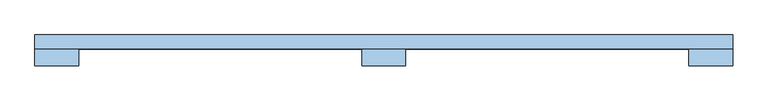
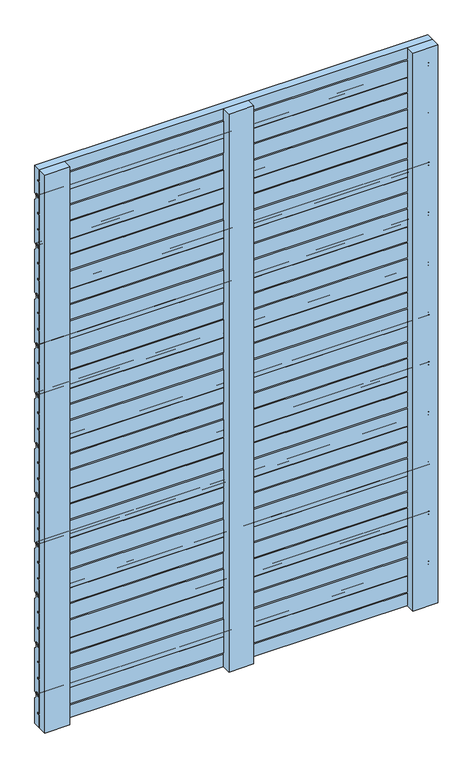
"""IFC4 building model written with IfcOpenShell, lengths in millimetres: window geometry."""

from ifc_helpers import new_model, si_unit, point, frame, frame_2d, origin, place, context, project, spatial, polyline, circle_curve, trimmed, segment, composite_curve, outline, extrude, source, transform, mapped, element, save


def window_0cdadf0d(model_context):
    return source(origin(), model_context, "Body", "SweptSolid", [
        extrude(outline(composite_curve([segment(trimmed(circle_curve(frame_2d((35.5, 182.0)), 1.0), [point((36.5, 182.0))], [point((35.5, 181.0))], False, "CARTESIAN"), True, "CONTINUOUS"), segment(polyline([(35.5, 181.0), (30.0, 181.0), (30.0, 228.0), (36.5, 228.0), (36.5, 231.5), (30.5, 231.5), (30.5, 271.5), (36.5, 271.5), (36.5, 275.0), (30.0, 275.0), (30.0, 314.0), (36.5, 314.0), (36.5, 319.5)]), True, "CONTINUOUS"), segment(trimmed(circle_curve(frame_2d((38.0, 319.5)), 1.5), [point((36.5, 319.5))], [point((38.0, 321.0))], False, "CARTESIAN"), True, "CONTINUOUS"), segment(polyline([(38.0, 321.0), (41.5, 321.0)]), True, "CONTINUOUS"), segment(trimmed(circle_curve(frame_2d((41.5, 319.5)), 1.5), [point((41.5, 321.0))], [point((43.0, 319.5))], False, "CARTESIAN"), True, "CONTINUOUS"), segment(polyline([(43.0, 319.5), (43.0, 309.4142136)]), True, "CONTINUOUS"), segment(trimmed(circle_curve(frame_2d((44.0, 309.4142136)), 1.0), [point((43.0, 309.4142136))], [point((43.2928932, 308.7071068))], True, "CARTESIAN"), True, "CONTINUOUS"), segment(polyline([(43.2928932, 308.7071068), (49.5606602, 302.4393398)]), True, "CONTINUOUS"), segment(trimmed(circle_curve(frame_2d((48.5, 301.3786797)), 1.5), [point((49.5606602, 302.4393398))], [point((50.0, 301.3786797))], False, "CARTESIAN"), True, "CONTINUOUS"), segment(polyline([(50.0, 301.3786797), (50.0, 187.2071068)]), True, "CONTINUOUS"), segment(trimmed(circle_curve(frame_2d((48.5, 187.2071068)), 1.5), [point((50.0, 187.2071068))], [point((49.5606602, 186.1464466))], False, "CARTESIAN"), True, "CONTINUOUS"), segment(polyline([(49.5606602, 186.1464466), (44.7071068, 181.2928932)]), True, "CONTINUOUS"), segment(trimmed(circle_curve(frame_2d((44.0, 182.0)), 1.0), [point((44.7071068, 181.2928932))], [point((43.0, 182.0))], False, "CARTESIAN"), True, "CONTINUOUS"), segment(polyline([(43.0, 182.0), (43.0, 188.5)]), True, "CONTINUOUS"), segment(trimmed(circle_curve(frame_2d((41.5, 188.5)), 1.5), [point((43.0, 188.5))], [point((41.5, 190.0))], True, "CARTESIAN"), True, "CONTINUOUS"), segment(polyline([(41.5, 190.0), (38.0, 190.0)]), True, "CONTINUOUS"), segment(trimmed(circle_curve(frame_2d((38.0, 188.5)), 1.5), [point((38.0, 190.0))], [point((36.5, 188.5))], True, "CARTESIAN"), True, "CONTINUOUS"), segment(polyline([(36.5, 188.5), (36.5, 182.0)]), True, "CONTINUOUS")], self_intersect=False)), frame((-500.0, 0.0, 0.0), z_axis=(1.0, 0.0, 0.0), x_axis=(0.0, 1.0, 0.0)), (0.0, 0.0, 1.0), 1000.0),
        extrude(outline(composite_curve([segment(trimmed(circle_curve(frame_2d((35.5, 316.0)), 1.0), [point((36.5, 316.0))], [point((35.5, 315.0))], False, "CARTESIAN"), True, "CONTINUOUS"), segment(polyline([(35.5, 315.0), (30.0, 315.0), (30.0, 362.0), (36.5, 362.0), (36.5, 365.5), (30.5, 365.5), (30.5, 405.5), (36.5, 405.5), (36.5, 409.0), (30.0, 409.0), (30.0, 448.0), (36.5, 448.0), (36.5, 453.5)]), True, "CONTINUOUS"), segment(trimmed(circle_curve(frame_2d((38.0, 453.5)), 1.5), [point((36.5, 453.5))], [point((38.0, 455.0))], False, "CARTESIAN"), True, "CONTINUOUS"), segment(polyline([(38.0, 455.0), (41.5, 455.0)]), True, "CONTINUOUS"), segment(trimmed(circle_curve(frame_2d((41.5, 453.5)), 1.5), [point((41.5, 455.0))], [point((43.0, 453.5))], False, "CARTESIAN"), True, "CONTINUOUS"), segment(polyline([(43.0, 453.5), (43.0, 443.4142136)]), True, "CONTINUOUS"), segment(trimmed(circle_curve(frame_2d((44.0, 443.4142136)), 1.0), [point((43.0, 443.4142136))], [point((43.2928932, 442.7071068))], True, "CARTESIAN"), True, "CONTINUOUS"), segment(polyline([(43.2928932, 442.7071068), (49.5606602, 436.4393398)]), True, "CONTINUOUS"), segment(trimmed(circle_curve(frame_2d((48.5, 435.3786797)), 1.5), [point((49.5606602, 436.4393398))], [point((50.0, 435.3786797))], False, "CARTESIAN"), True, "CONTINUOUS"), segment(polyline([(50.0, 435.3786797), (50.0, 321.2071068)]), True, "CONTINUOUS"), segment(trimmed(circle_curve(frame_2d((48.5, 321.2071068)), 1.5), [point((50.0, 321.2071068))], [point((49.5606602, 320.1464466))], False, "CARTESIAN"), True, "CONTINUOUS"), segment(polyline([(49.5606602, 320.1464466), (44.7071068, 315.2928932)]), True, "CONTINUOUS"), segment(trimmed(circle_curve(frame_2d((44.0, 316.0)), 1.0), [point((44.7071068, 315.2928932))], [point((43.0, 316.0))], False, "CARTESIAN"), True, "CONTINUOUS"), segment(polyline([(43.0, 316.0), (43.0, 322.5)]), True, "CONTINUOUS"), segment(trimmed(circle_curve(frame_2d((41.5, 322.5)), 1.5), [point((43.0, 322.5))], [point((41.5, 324.0))], True, "CARTESIAN"), True, "CONTINUOUS"), segment(polyline([(41.5, 324.0), (38.0, 324.0)]), True, "CONTINUOUS"), segment(trimmed(circle_curve(frame_2d((38.0, 322.5)), 1.5), [point((38.0, 324.0))], [point((36.5, 322.5))], True, "CARTESIAN"), True, "CONTINUOUS"), segment(polyline([(36.5, 322.5), (36.5, 316.0)]), True, "CONTINUOUS")], self_intersect=False)), frame((-500.0, 0.0, 0.0), z_axis=(1.0, 0.0, 0.0), x_axis=(0.0, 1.0, 0.0)), (0.0, 0.0, 1.0), 1000.0),
        extrude(outline(composite_curve([segment(trimmed(circle_curve(frame_2d((35.5, 450.0)), 1.0), [point((36.5, 450.0))], [point((35.5, 449.0))], False, "CARTESIAN"), True, "CONTINUOUS"), segment(polyline([(35.5, 449.0), (30.0, 449.0), (30.0, 496.0), (36.5, 496.0), (36.5, 499.5), (30.5, 499.5), (30.5, 539.5), (36.5, 539.5), (36.5, 543.0), (30.0, 543.0), (30.0, 582.0), (36.5, 582.0), (36.5, 587.5)]), True, "CONTINUOUS"), segment(trimmed(circle_curve(frame_2d((38.0, 587.5)), 1.5), [point((36.5, 587.5))], [point((38.0, 589.0))], False, "CARTESIAN"), True, "CONTINUOUS"), segment(polyline([(38.0, 589.0), (41.5, 589.0)]), True, "CONTINUOUS"), segment(trimmed(circle_curve(frame_2d((41.5, 587.5)), 1.5), [point((41.5, 589.0))], [point((43.0, 587.5))], False, "CARTESIAN"), True, "CONTINUOUS"), segment(polyline([(43.0, 587.5), (43.0, 577.4142136)]), True, "CONTINUOUS"), segment(trimmed(circle_curve(frame_2d((44.0, 577.4142136)), 1.0), [point((43.0, 577.4142136))], [point((43.2928932, 576.7071068))], True, "CARTESIAN"), True, "CONTINUOUS"), segment(polyline([(43.2928932, 576.7071068), (49.5606602, 570.4393398)]), True, "CONTINUOUS"), segment(trimmed(circle_curve(frame_2d((48.5, 569.3786797)), 1.5), [point((49.5606602, 570.4393398))], [point((50.0, 569.3786797))], False, "CARTESIAN"), True, "CONTINUOUS"), segment(polyline([(50.0, 569.3786797), (50.0, 455.2071068)]), True, "CONTINUOUS"), segment(trimmed(circle_curve(frame_2d((48.5, 455.2071068)), 1.5), [point((50.0, 455.2071068))], [point((49.5606602, 454.1464466))], False, "CARTESIAN"), True, "CONTINUOUS"), segment(polyline([(49.5606602, 454.1464466), (44.7071068, 449.2928932)]), True, "CONTINUOUS"), segment(trimmed(circle_curve(frame_2d((44.0, 450.0)), 1.0), [point((44.7071068, 449.2928932))], [point((43.0, 450.0))], False, "CARTESIAN"), True, "CONTINUOUS"), segment(polyline([(43.0, 450.0), (43.0, 456.5)]), True, "CONTINUOUS"), segment(trimmed(circle_curve(frame_2d((41.5, 456.5)), 1.5), [point((43.0, 456.5))], [point((41.5, 458.0))], True, "CARTESIAN"), True, "CONTINUOUS"), segment(polyline([(41.5, 458.0), (38.0, 458.0)]), True, "CONTINUOUS"), segment(trimmed(circle_curve(frame_2d((38.0, 456.5)), 1.5), [point((38.0, 458.0))], [point((36.5, 456.5))], True, "CARTESIAN"), True, "CONTINUOUS"), segment(polyline([(36.5, 456.5), (36.5, 450.0)]), True, "CONTINUOUS")], self_intersect=False)), frame((-500.0, 0.0, 0.0), z_axis=(1.0, 0.0, 0.0), x_axis=(0.0, 1.0, 0.0)), (0.0, 0.0, 1.0), 1000.0),
        extrude(outline(composite_curve([segment(trimmed(circle_curve(frame_2d((35.5, 584.0)), 1.0), [point((36.5, 584.0))], [point((35.5, 583.0))], False, "CARTESIAN"), True, "CONTINUOUS"), segment(polyline([(35.5, 583.0), (30.0, 583.0), (30.0, 630.0), (36.5, 630.0), (36.5, 633.5), (30.5, 633.5), (30.5, 673.5), (36.5, 673.5), (36.5, 677.0), (30.0, 677.0), (30.0, 716.0), (36.5, 716.0), (36.5, 721.5)]), True, "CONTINUOUS"), segment(trimmed(circle_curve(frame_2d((38.0, 721.5)), 1.5), [point((36.5, 721.5))], [point((38.0, 723.0))], False, "CARTESIAN"), True, "CONTINUOUS"), segment(polyline([(38.0, 723.0), (41.5, 723.0)]), True, "CONTINUOUS"), segment(trimmed(circle_curve(frame_2d((41.5, 721.5)), 1.5), [point((41.5, 723.0))], [point((43.0, 721.5))], False, "CARTESIAN"), True, "CONTINUOUS"), segment(polyline([(43.0, 721.5), (43.0, 711.4142136)]), True, "CONTINUOUS"), segment(trimmed(circle_curve(frame_2d((44.0, 711.4142136)), 1.0), [point((43.0, 711.4142136))], [point((43.2928932, 710.7071068))], True, "CARTESIAN"), True, "CONTINUOUS"), segment(polyline([(43.2928932, 710.7071068), (49.5606602, 704.4393398)]), True, "CONTINUOUS"), segment(trimmed(circle_curve(frame_2d((48.5, 703.3786797)), 1.5), [point((49.5606602, 704.4393398))], [point((50.0, 703.3786797))], False, "CARTESIAN"), True, "CONTINUOUS"), segment(polyline([(50.0, 703.3786797), (50.0, 589.2071068)]), True, "CONTINUOUS"), segment(trimmed(circle_curve(frame_2d((48.5, 589.2071068)), 1.5), [point((50.0, 589.2071068))], [point((49.5606602, 588.1464466))], False, "CARTESIAN"), True, "CONTINUOUS"), segment(polyline([(49.5606602, 588.1464466), (44.7071068, 583.2928932)]), True, "CONTINUOUS"), segment(trimmed(circle_curve(frame_2d((44.0, 584.0)), 1.0), [point((44.7071068, 583.2928932))], [point((43.0, 584.0))], False, "CARTESIAN"), True, "CONTINUOUS"), segment(polyline([(43.0, 584.0), (43.0, 590.5)]), True, "CONTINUOUS"), segment(trimmed(circle_curve(frame_2d((41.5, 590.5)), 1.5), [point((43.0, 590.5))], [point((41.5, 592.0))], True, "CARTESIAN"), True, "CONTINUOUS"), segment(polyline([(41.5, 592.0), (38.0, 592.0)]), True, "CONTINUOUS"), segment(trimmed(circle_curve(frame_2d((38.0, 590.5)), 1.5), [point((38.0, 592.0))], [point((36.5, 590.5))], True, "CARTESIAN"), True, "CONTINUOUS"), segment(polyline([(36.5, 590.5), (36.5, 584.0)]), True, "CONTINUOUS")], self_intersect=False)), frame((-500.0, 0.0, 0.0), z_axis=(1.0, 0.0, 0.0), x_axis=(0.0, 1.0, 0.0)), (0.0, 0.0, 1.0), 1000.0),
        extrude(outline(composite_curve([segment(trimmed(circle_curve(frame_2d((35.5, 718.0)), 1.0), [point((36.5, 718.0))], [point((35.5, 717.0))], False, "CARTESIAN"), True, "CONTINUOUS"), segment(polyline([(35.5, 717.0), (30.0, 717.0), (30.0, 764.0), (36.5, 764.0), (36.5, 767.5), (30.5, 767.5), (30.5, 807.5), (36.5, 807.5), (36.5, 811.0), (30.0, 811.0), (30.0, 850.0), (36.5, 850.0), (36.5, 855.5)]), True, "CONTINUOUS"), segment(trimmed(circle_curve(frame_2d((38.0, 855.5)), 1.5), [point((36.5, 855.5))], [point((38.0, 857.0))], False, "CARTESIAN"), True, "CONTINUOUS"), segment(polyline([(38.0, 857.0), (41.5, 857.0)]), True, "CONTINUOUS"), segment(trimmed(circle_curve(frame_2d((41.5, 855.5)), 1.5), [point((41.5, 857.0))], [point((43.0, 855.5))], False, "CARTESIAN"), True, "CONTINUOUS"), segment(polyline([(43.0, 855.5), (43.0, 845.4142136)]), True, "CONTINUOUS"), segment(trimmed(circle_curve(frame_2d((44.0, 845.4142136)), 1.0), [point((43.0, 845.4142136))], [point((43.2928932, 844.7071068))], True, "CARTESIAN"), True, "CONTINUOUS"), segment(polyline([(43.2928932, 844.7071068), (49.5606602, 838.4393398)]), True, "CONTINUOUS"), segment(trimmed(circle_curve(frame_2d((48.5, 837.3786797)), 1.5), [point((49.5606602, 838.4393398))], [point((50.0, 837.3786797))], False, "CARTESIAN"), True, "CONTINUOUS"), segment(polyline([(50.0, 837.3786797), (50.0, 723.2071068)]), True, "CONTINUOUS"), segment(trimmed(circle_curve(frame_2d((48.5, 723.2071068)), 1.5), [point((50.0, 723.2071068))], [point((49.5606602, 722.1464466))], False, "CARTESIAN"), True, "CONTINUOUS"), segment(polyline([(49.5606602, 722.1464466), (44.7071068, 717.2928932)]), True, "CONTINUOUS"), segment(trimmed(circle_curve(frame_2d((44.0, 718.0)), 1.0), [point((44.7071068, 717.2928932))], [point((43.0, 718.0))], False, "CARTESIAN"), True, "CONTINUOUS"), segment(polyline([(43.0, 718.0), (43.0, 724.5)]), True, "CONTINUOUS"), segment(trimmed(circle_curve(frame_2d((41.5, 724.5)), 1.5), [point((43.0, 724.5))], [point((41.5, 726.0))], True, "CARTESIAN"), True, "CONTINUOUS"), segment(polyline([(41.5, 726.0), (38.0, 726.0)]), True, "CONTINUOUS"), segment(trimmed(circle_curve(frame_2d((38.0, 724.5)), 1.5), [point((38.0, 726.0))], [point((36.5, 724.5))], True, "CARTESIAN"), True, "CONTINUOUS"), segment(polyline([(36.5, 724.5), (36.5, 718.0)]), True, "CONTINUOUS")], self_intersect=False)), frame((-500.0, 0.0, 0.0), z_axis=(1.0, 0.0, 0.0), x_axis=(0.0, 1.0, 0.0)), (0.0, 0.0, 1.0), 1000.0),
        extrude(outline(composite_curve([segment(trimmed(circle_curve(frame_2d((35.5, 852.0)), 1.0), [point((36.5, 852.0))], [point((35.5, 851.0))], False, "CARTESIAN"), True, "CONTINUOUS"), segment(polyline([(35.5, 851.0), (30.0, 851.0), (30.0, 898.0), (36.5, 898.0), (36.5, 901.5), (30.5, 901.5), (30.5, 941.5), (36.5, 941.5), (36.5, 945.0), (30.0, 945.0), (30.0, 984.0), (36.5, 984.0), (36.5, 989.5)]), True, "CONTINUOUS"), segment(trimmed(circle_curve(frame_2d((38.0, 989.5)), 1.5), [point((36.5, 989.5))], [point((38.0, 991.0))], False, "CARTESIAN"), True, "CONTINUOUS"), segment(polyline([(38.0, 991.0), (41.5, 991.0)]), True, "CONTINUOUS"), segment(trimmed(circle_curve(frame_2d((41.5, 989.5)), 1.5), [point((41.5, 991.0))], [point((43.0, 989.5))], False, "CARTESIAN"), True, "CONTINUOUS"), segment(polyline([(43.0, 989.5), (43.0, 979.4142136)]), True, "CONTINUOUS"), segment(trimmed(circle_curve(frame_2d((44.0, 979.4142136)), 1.0), [point((43.0, 979.4142136))], [point((43.2928932, 978.7071068))], True, "CARTESIAN"), True, "CONTINUOUS"), segment(polyline([(43.2928932, 978.7071068), (49.5606602, 972.4393398)]), True, "CONTINUOUS"), segment(trimmed(circle_curve(frame_2d((48.5, 971.3786797)), 1.5), [point((49.5606602, 972.4393398))], [point((50.0, 971.3786797))], False, "CARTESIAN"), True, "CONTINUOUS"), segment(polyline([(50.0, 971.3786797), (50.0, 857.2071068)]), True, "CONTINUOUS"), segment(trimmed(circle_curve(frame_2d((48.5, 857.2071068)), 1.5), [point((50.0, 857.2071068))], [point((49.5606602, 856.1464466))], False, "CARTESIAN"), True, "CONTINUOUS"), segment(polyline([(49.5606602, 856.1464466), (44.7071068, 851.2928932)]), True, "CONTINUOUS"), segment(trimmed(circle_curve(frame_2d((44.0, 852.0)), 1.0), [point((44.7071068, 851.2928932))], [point((43.0, 852.0))], False, "CARTESIAN"), True, "CONTINUOUS"), segment(polyline([(43.0, 852.0), (43.0, 858.5)]), True, "CONTINUOUS"), segment(trimmed(circle_curve(frame_2d((41.5, 858.5)), 1.5), [point((43.0, 858.5))], [point((41.5, 860.0))], True, "CARTESIAN"), True, "CONTINUOUS"), segment(polyline([(41.5, 860.0), (38.0, 860.0)]), True, "CONTINUOUS"), segment(trimmed(circle_curve(frame_2d((38.0, 858.5)), 1.5), [point((38.0, 860.0))], [point((36.5, 858.5))], True, "CARTESIAN"), True, "CONTINUOUS"), segment(polyline([(36.5, 858.5), (36.5, 852.0)]), True, "CONTINUOUS")], self_intersect=False)), frame((-500.0, 0.0, 0.0), z_axis=(1.0, 0.0, 0.0), x_axis=(0.0, 1.0, 0.0)), (0.0, 0.0, 1.0), 1000.0),
        extrude(outline(composite_curve([segment(trimmed(circle_curve(frame_2d((35.5, 986.0)), 1.0), [point((36.5, 986.0))], [point((35.5, 985.0))], False, "CARTESIAN"), True, "CONTINUOUS"), segment(polyline([(35.5, 985.0), (30.0, 985.0), (30.0, 1032.0), (36.5, 1032.0), (36.5, 1035.5), (30.5, 1035.5), (30.5, 1075.5), (36.5, 1075.5), (36.5, 1079.0), (30.0, 1079.0), (30.0, 1118.0), (36.5, 1118.0), (36.5, 1123.5)]), True, "CONTINUOUS"), segment(trimmed(circle_curve(frame_2d((38.0, 1123.5)), 1.5), [point((36.5, 1123.5))], [point((38.0, 1125.0))], False, "CARTESIAN"), True, "CONTINUOUS"), segment(polyline([(38.0, 1125.0), (41.5, 1125.0)]), True, "CONTINUOUS"), segment(trimmed(circle_curve(frame_2d((41.5, 1123.5)), 1.5), [point((41.5, 1125.0))], [point((43.0, 1123.5))], False, "CARTESIAN"), True, "CONTINUOUS"), segment(polyline([(43.0, 1123.5), (43.0, 1113.4142136)]), True, "CONTINUOUS"), segment(trimmed(circle_curve(frame_2d((44.0, 1113.4142136)), 1.0), [point((43.0, 1113.4142136))], [point((43.2928932, 1112.7071068))], True, "CARTESIAN"), True, "CONTINUOUS"), segment(polyline([(43.2928932, 1112.7071068), (49.5606602, 1106.4393398)]), True, "CONTINUOUS"), segment(trimmed(circle_curve(frame_2d((48.5, 1105.3786797)), 1.5), [point((49.5606602, 1106.4393398))], [point((50.0, 1105.3786797))], False, "CARTESIAN"), True, "CONTINUOUS"), segment(polyline([(50.0, 1105.3786797), (50.0, 991.2071068)]), True, "CONTINUOUS"), segment(trimmed(circle_curve(frame_2d((48.5, 991.2071068)), 1.5), [point((50.0, 991.2071068))], [point((49.5606602, 990.1464466))], False, "CARTESIAN"), True, "CONTINUOUS"), segment(polyline([(49.5606602, 990.1464466), (44.7071068, 985.2928932)]), True, "CONTINUOUS"), segment(trimmed(circle_curve(frame_2d((44.0, 986.0)), 1.0), [point((44.7071068, 985.2928932))], [point((43.0, 986.0))], False, "CARTESIAN"), True, "CONTINUOUS"), segment(polyline([(43.0, 986.0), (43.0, 992.5)]), True, "CONTINUOUS"), segment(trimmed(circle_curve(frame_2d((41.5, 992.5)), 1.5), [point((43.0, 992.5))], [point((41.5, 994.0))], True, "CARTESIAN"), True, "CONTINUOUS"), segment(polyline([(41.5, 994.0), (38.0, 994.0)]), True, "CONTINUOUS"), segment(trimmed(circle_curve(frame_2d((38.0, 992.5)), 1.5), [point((38.0, 994.0))], [point((36.5, 992.5))], True, "CARTESIAN"), True, "CONTINUOUS"), segment(polyline([(36.5, 992.5), (36.5, 986.0)]), True, "CONTINUOUS")], self_intersect=False)), frame((-500.0, 0.0, 0.0), z_axis=(1.0, 0.0, 0.0), x_axis=(0.0, 1.0, 0.0)), (0.0, 0.0, 1.0), 1000.0),
        extrude(outline(composite_curve([segment(trimmed(circle_curve(frame_2d((35.5, 1120.0)), 1.0), [point((36.5, 1120.0))], [point((35.5, 1119.0))], False, "CARTESIAN"), True, "CONTINUOUS"), segment(polyline([(35.5, 1119.0), (30.0, 1119.0), (30.0, 1166.0), (36.5, 1166.0), (36.5, 1169.5), (30.5, 1169.5), (30.5, 1209.5), (36.5, 1209.5), (36.5, 1213.0), (30.0, 1213.0), (30.0, 1252.0), (36.5, 1252.0), (36.5, 1257.5)]), True, "CONTINUOUS"), segment(trimmed(circle_curve(frame_2d((38.0, 1257.5)), 1.5), [point((36.5, 1257.5))], [point((38.0, 1259.0))], False, "CARTESIAN"), True, "CONTINUOUS"), segment(polyline([(38.0, 1259.0), (41.5, 1259.0)]), True, "CONTINUOUS"), segment(trimmed(circle_curve(frame_2d((41.5, 1257.5)), 1.5), [point((41.5, 1259.0))], [point((43.0, 1257.5))], False, "CARTESIAN"), True, "CONTINUOUS"), segment(polyline([(43.0, 1257.5), (43.0, 1247.4142136)]), True, "CONTINUOUS"), segment(trimmed(circle_curve(frame_2d((44.0, 1247.4142136)), 1.0), [point((43.0, 1247.4142136))], [point((43.2928932, 1246.7071068))], True, "CARTESIAN"), True, "CONTINUOUS"), segment(polyline([(43.2928932, 1246.7071068), (49.5606602, 1240.4393398)]), True, "CONTINUOUS"), segment(trimmed(circle_curve(frame_2d((48.5, 1239.3786797)), 1.5), [point((49.5606602, 1240.4393398))], [point((50.0, 1239.3786797))], False, "CARTESIAN"), True, "CONTINUOUS"), segment(polyline([(50.0, 1239.3786797), (50.0, 1125.2071068)]), True, "CONTINUOUS"), segment(trimmed(circle_curve(frame_2d((48.5, 1125.2071068)), 1.5), [point((50.0, 1125.2071068))], [point((49.5606602, 1124.1464466))], False, "CARTESIAN"), True, "CONTINUOUS"), segment(polyline([(49.5606602, 1124.1464466), (44.7071068, 1119.2928932)]), True, "CONTINUOUS"), segment(trimmed(circle_curve(frame_2d((44.0, 1120.0)), 1.0), [point((44.7071068, 1119.2928932))], [point((43.0, 1120.0))], False, "CARTESIAN"), True, "CONTINUOUS"), segment(polyline([(43.0, 1120.0), (43.0, 1126.5)]), True, "CONTINUOUS"), segment(trimmed(circle_curve(frame_2d((41.5, 1126.5)), 1.5), [point((43.0, 1126.5))], [point((41.5, 1128.0))], True, "CARTESIAN"), True, "CONTINUOUS"), segment(polyline([(41.5, 1128.0), (38.0, 1128.0)]), True, "CONTINUOUS"), segment(trimmed(circle_curve(frame_2d((38.0, 1126.5)), 1.5), [point((38.0, 1128.0))], [point((36.5, 1126.5))], True, "CARTESIAN"), True, "CONTINUOUS"), segment(polyline([(36.5, 1126.5), (36.5, 1120.0)]), True, "CONTINUOUS")], self_intersect=False)), frame((-500.0, 0.0, 0.0), z_axis=(1.0, 0.0, 0.0), x_axis=(0.0, 1.0, 0.0)), (0.0, 0.0, 1.0), 1000.0),
        extrude(outline(composite_curve([segment(trimmed(circle_curve(frame_2d((35.5, 1254.0)), 1.0), [point((36.5, 1254.0))], [point((35.5, 1253.0))], False, "CARTESIAN"), True, "CONTINUOUS"), segment(polyline([(35.5, 1253.0), (30.0, 1253.0), (30.0, 1300.0), (36.5, 1300.0), (36.5, 1303.5), (30.5, 1303.5), (30.5, 1343.5), (36.5, 1343.5), (36.5, 1347.0), (30.0, 1347.0), (30.0, 1386.0), (36.5, 1386.0), (36.5, 1391.5)]), True, "CONTINUOUS"), segment(trimmed(circle_curve(frame_2d((38.0, 1391.5)), 1.5), [point((36.5, 1391.5))], [point((38.0, 1393.0))], False, "CARTESIAN"), True, "CONTINUOUS"), segment(polyline([(38.0, 1393.0), (41.5, 1393.0)]), True, "CONTINUOUS"), segment(trimmed(circle_curve(frame_2d((41.5, 1391.5)), 1.5), [point((41.5, 1393.0))], [point((43.0, 1391.5))], False, "CARTESIAN"), True, "CONTINUOUS"), segment(polyline([(43.0, 1391.5), (43.0, 1381.4142136)]), True, "CONTINUOUS"), segment(trimmed(circle_curve(frame_2d((44.0, 1381.4142136)), 1.0), [point((43.0, 1381.4142136))], [point((43.2928932, 1380.7071068))], True, "CARTESIAN"), True, "CONTINUOUS"), segment(polyline([(43.2928932, 1380.7071068), (49.5606602, 1374.4393398)]), True, "CONTINUOUS"), segment(trimmed(circle_curve(frame_2d((48.5, 1373.3786797)), 1.5), [point((49.5606602, 1374.4393398))], [point((50.0, 1373.3786797))], False, "CARTESIAN"), True, "CONTINUOUS"), segment(polyline([(50.0, 1373.3786797), (50.0, 1259.2071068)]), True, "CONTINUOUS"), segment(trimmed(circle_curve(frame_2d((48.5, 1259.2071068)), 1.5), [point((50.0, 1259.2071068))], [point((49.5606602, 1258.1464466))], False, "CARTESIAN"), True, "CONTINUOUS"), segment(polyline([(49.5606602, 1258.1464466), (44.7071068, 1253.2928932)]), True, "CONTINUOUS"), segment(trimmed(circle_curve(frame_2d((44.0, 1254.0)), 1.0), [point((44.7071068, 1253.2928932))], [point((43.0, 1254.0))], False, "CARTESIAN"), True, "CONTINUOUS"), segment(polyline([(43.0, 1254.0), (43.0, 1260.5)]), True, "CONTINUOUS"), segment(trimmed(circle_curve(frame_2d((41.5, 1260.5)), 1.5), [point((43.0, 1260.5))], [point((41.5, 1262.0))], True, "CARTESIAN"), True, "CONTINUOUS"), segment(polyline([(41.5, 1262.0), (38.0, 1262.0)]), True, "CONTINUOUS"), segment(trimmed(circle_curve(frame_2d((38.0, 1260.5)), 1.5), [point((38.0, 1262.0))], [point((36.5, 1260.5))], True, "CARTESIAN"), True, "CONTINUOUS"), segment(polyline([(36.5, 1260.5), (36.5, 1254.0)]), True, "CONTINUOUS")], self_intersect=False)), frame((-500.0, 0.0, 0.0), z_axis=(1.0, 0.0, 0.0), x_axis=(0.0, 1.0, 0.0)), (0.0, 0.0, 1.0), 1000.0),
        extrude(outline(composite_curve([segment(trimmed(circle_curve(frame_2d((35.5, 1388.0)), 1.0), [point((36.5, 1388.0))], [point((35.5, 1387.0))], False, "CARTESIAN"), True, "CONTINUOUS"), segment(polyline([(35.5, 1387.0), (30.0, 1387.0), (30.0, 1434.0), (36.5, 1434.0), (36.5, 1437.5), (30.5, 1437.5), (30.5, 1477.5), (36.5, 1477.5), (36.5, 1481.0), (30.0, 1481.0), (30.0, 1520.0), (36.5, 1520.0), (36.5, 1525.5)]), True, "CONTINUOUS"), segment(trimmed(circle_curve(frame_2d((38.0, 1525.5)), 1.5), [point((36.5, 1525.5))], [point((38.0, 1527.0))], False, "CARTESIAN"), True, "CONTINUOUS"), segment(polyline([(38.0, 1527.0), (41.5, 1527.0)]), True, "CONTINUOUS"), segment(trimmed(circle_curve(frame_2d((41.5, 1525.5)), 1.5), [point((41.5, 1527.0))], [point((43.0, 1525.5))], False, "CARTESIAN"), True, "CONTINUOUS"), segment(polyline([(43.0, 1525.5), (43.0, 1515.4142136)]), True, "CONTINUOUS"), segment(trimmed(circle_curve(frame_2d((44.0, 1515.4142136)), 1.0), [point((43.0, 1515.4142136))], [point((43.2928932, 1514.7071068))], True, "CARTESIAN"), True, "CONTINUOUS"), segment(polyline([(43.2928932, 1514.7071068), (49.5606602, 1508.4393398)]), True, "CONTINUOUS"), segment(trimmed(circle_curve(frame_2d((48.5, 1507.3786797)), 1.5), [point((49.5606602, 1508.4393398))], [point((50.0, 1507.3786797))], False, "CARTESIAN"), True, "CONTINUOUS"), segment(polyline([(50.0, 1507.3786797), (50.0, 1393.2071068)]), True, "CONTINUOUS"), segment(trimmed(circle_curve(frame_2d((48.5, 1393.2071068)), 1.5), [point((50.0, 1393.2071068))], [point((49.5606602, 1392.1464466))], False, "CARTESIAN"), True, "CONTINUOUS"), segment(polyline([(49.5606602, 1392.1464466), (44.7071068, 1387.2928932)]), True, "CONTINUOUS"), segment(trimmed(circle_curve(frame_2d((44.0, 1388.0)), 1.0), [point((44.7071068, 1387.2928932))], [point((43.0, 1388.0))], False, "CARTESIAN"), True, "CONTINUOUS"), segment(polyline([(43.0, 1388.0), (43.0, 1394.5)]), True, "CONTINUOUS"), segment(trimmed(circle_curve(frame_2d((41.5, 1394.5)), 1.5), [point((43.0, 1394.5))], [point((41.5, 1396.0))], True, "CARTESIAN"), True, "CONTINUOUS"), segment(polyline([(41.5, 1396.0), (38.0, 1396.0)]), True, "CONTINUOUS"), segment(trimmed(circle_curve(frame_2d((38.0, 1394.5)), 1.5), [point((38.0, 1396.0))], [point((36.5, 1394.5))], True, "CARTESIAN"), True, "CONTINUOUS"), segment(polyline([(36.5, 1394.5), (36.5, 1388.0)]), True, "CONTINUOUS")], self_intersect=False)), frame((-500.0, 0.0, 0.0), z_axis=(1.0, 0.0, 0.0), x_axis=(0.0, 1.0, 0.0)), (0.0, 0.0, 1.0), 1000.0),
        extrude(outline(composite_curve([segment(trimmed(circle_curve(frame_2d((48.5, 167.3786797)), 1.5), [point((49.5606602, 168.4393398))], [point((50.0, 167.3786797))], False, "CARTESIAN"), True, "CONTINUOUS"), segment(polyline([(50.0, 167.3786797), (50.0, 100.0), (30.5, 100.0), (30.5, 133.4389298), (36.5, 133.4389298), (36.5, 136.9389298), (30.0, 136.9389298), (30.0, 180.0), (36.5, 180.0), (36.5, 186.5)]), True, "CONTINUOUS"), segment(trimmed(circle_curve(frame_2d((38.0, 186.5)), 1.5), [point((36.5, 186.5))], [point((38.0, 188.0))], False, "CARTESIAN"), True, "CONTINUOUS"), segment(polyline([(38.0, 188.0), (41.5, 188.0)]), True, "CONTINUOUS"), segment(trimmed(circle_curve(frame_2d((41.5, 186.5)), 1.5), [point((41.5, 188.0))], [point((43.0, 186.5))], False, "CARTESIAN"), True, "CONTINUOUS"), segment(polyline([(43.0, 186.5), (43.0, 175.4142136)]), True, "CONTINUOUS"), segment(trimmed(circle_curve(frame_2d((44.0, 175.4142136)), 1.0), [point((43.0, 175.4142136))], [point((43.2928932, 174.7071068))], True, "CARTESIAN"), True, "CONTINUOUS"), segment(polyline([(43.2928932, 174.7071068), (49.5606602, 168.4393398)]), True, "CONTINUOUS")], self_intersect=False)), frame((-500.0, 0.0, 0.0), z_axis=(1.0, 0.0, 0.0), x_axis=(0.0, 1.0, 0.0)), (0.0, 0.0, 1.0), 1000.0),
        extrude(outline(composite_curve([segment(trimmed(circle_curve(frame_2d((35.5, 1522.0)), 1.0), [point((36.5, 1522.0))], [point((35.5, 1521.0))], False, "CARTESIAN"), True, "CONTINUOUS"), segment(polyline([(35.5, 1521.0), (30.0, 1521.0), (30.0, 1566.0), (36.5, 1566.0), (36.5, 1569.5), (30.5, 1569.5), (30.5, 1600.0), (50.0, 1600.0), (50.0, 1527.2071068)]), True, "CONTINUOUS"), segment(trimmed(circle_curve(frame_2d((48.5, 1527.2071068)), 1.5), [point((50.0, 1527.2071068))], [point((49.5606602, 1526.1464466))], False, "CARTESIAN"), True, "CONTINUOUS"), segment(polyline([(49.5606602, 1526.1464466), (44.7071068, 1521.2928932)]), True, "CONTINUOUS"), segment(trimmed(circle_curve(frame_2d((44.0, 1522.0)), 1.0), [point((44.7071068, 1521.2928932))], [point((43.0, 1522.0))], False, "CARTESIAN"), True, "CONTINUOUS"), segment(polyline([(43.0, 1522.0), (43.0, 1528.5)]), True, "CONTINUOUS"), segment(trimmed(circle_curve(frame_2d((41.5, 1528.5)), 1.5), [point((43.0, 1528.5))], [point((41.5, 1530.0))], True, "CARTESIAN"), True, "CONTINUOUS"), segment(polyline([(41.5, 1530.0), (38.0, 1530.0)]), True, "CONTINUOUS"), segment(trimmed(circle_curve(frame_2d((38.0, 1528.5)), 1.5), [point((38.0, 1530.0))], [point((36.5, 1528.5))], True, "CARTESIAN"), True, "CONTINUOUS"), segment(polyline([(36.5, 1528.5), (36.5, 1522.0)]), True, "CONTINUOUS")], self_intersect=False)), frame((-500.0, 0.0, 0.0), z_axis=(1.0, 0.0, 0.0), x_axis=(0.0, 1.0, 0.0)), (0.0, 0.0, 1.0), 1000.0),
        extrude(outline(polyline([(-31.5, 30.1), (31.5, 30.1), (31.5, 6.1), (-31.5, 6.1), (-31.5, 30.1)])), frame((0.0, 0.0, 100.0), z_axis=(0.0, 0.0, 1.0), x_axis=(1.0, 0.0, 0.0)), (0.0, 0.0, 1.0), 1500.0),
        extrude(outline(polyline([(-500.0, 30.0), (-437.0, 30.0), (-437.0, 6.0), (-500.0, 6.0), (-500.0, 30.0)])), frame((0.0, 0.0, 100.0), z_axis=(0.0, 0.0, 1.0), x_axis=(1.0, 0.0, 0.0)), (0.0, 0.0, 1.0), 1500.0),
        extrude(outline(polyline([(437.0, 30.0), (500.0, 30.0), (500.0, 6.0), (437.0, 6.0), (437.0, 30.0)])), frame((0.0, 0.0, 100.0), z_axis=(0.0, 0.0, 1.0), x_axis=(1.0, 0.0, 0.0)), (0.0, 0.0, 1.0), 1500.0),
    ])


if __name__ == "__main__":
    model = new_model("IFC4")
    model_context = context("Model", 3, world=origin())
    ifc_project = project(units=[si_unit("LENGTHUNIT", "METRE", prefix="MILLI")], contexts=[model_context])
    site = spatial("IfcSite", under=ifc_project)
    building = spatial("IfcBuilding", under=site)
    placement = place(None, origin())
    window_shape = window_0cdadf0d(model_context)
    element("IfcWindow", 1, at=placement, inside=building, context=model_context, shape_type="MappedRepresentation", body=[
        mapped(window_shape, transform((0.0, 0.0, 0.0), x_axis=(1.0, 0.0, 0.0), y_axis=(0.0, 1.0, 0.0), z_axis=(0.0, 0.0, 1.0))),
    ])
    save(model, "model.ifc")
